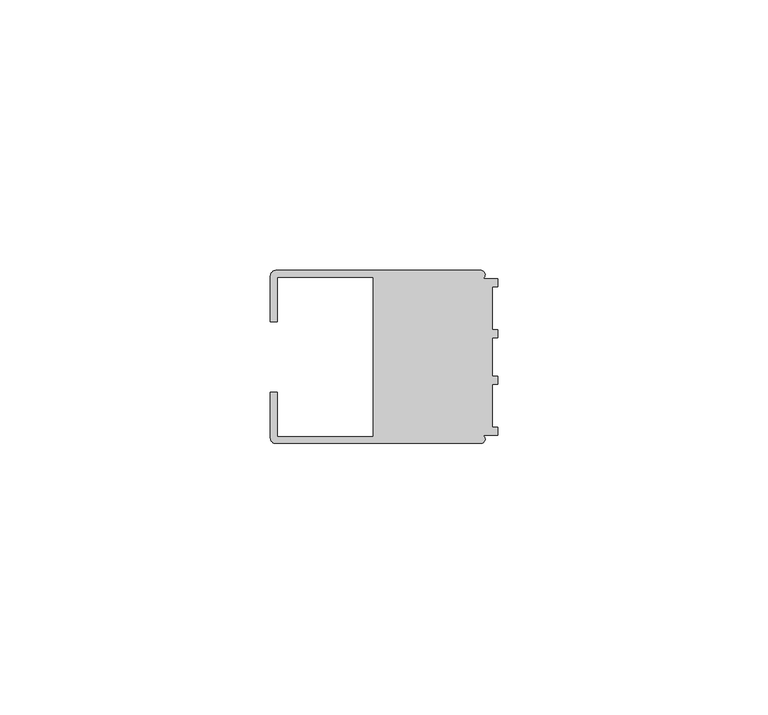
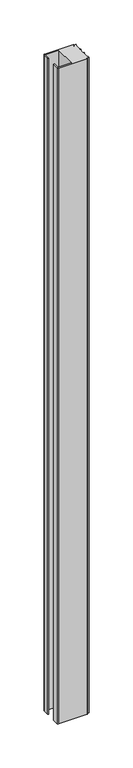
"""IFC4 building model written with IfcOpenShell, lengths in millimetres: member geometry."""

from ifc_helpers import new_model, si_unit, point, frame, frame_2d, origin, place, context, project, spatial, polyline, circle_curve, trimmed, segment, composite_curve, outline, extrude, source, transform, mapped, element, save


def member_bca3d594(model_context):
    return source(origin(), model_context, "Body", "SweptSolid", [
        extrude(outline(composite_curve([segment(polyline([(-42.0, 6.5), (-42.0, 14.998921)]), True, "CONTINUOUS"), segment(trimmed(circle_curve(frame_2d((-40.998921, 14.998921)), 1.001079), [point((-42.0, 14.998921))], [point((-40.998921, 16.0))], False, "CARTESIAN"), True, "CONTINUOUS"), segment(polyline([(-40.998921, 16.0), (-3.1385263, 16.0)]), True, "CONTINUOUS"), segment(trimmed(circle_curve(frame_2d((-3.1117577, 15.2001372)), 0.8003107), [point((-3.1385263, 16.0))], [point((-2.7260256, 14.4989182))], False, "CARTESIAN"), True, "CONTINUOUS"), segment(polyline([(-2.7260256, 14.4989182), (0.0, 14.4989182), (0.0, 12.9993664), (-0.999267, 12.9993664), (-0.999267, 5.0000405), (0.0, 5.0000405), (0.0, 3.5386284), (-0.999267, 3.5009282), (-0.999267, -3.5009282), (0.0, -3.5398992), (0.0, -5.0013113), (-0.999267, -5.0013113), (-0.999267, -13.0002136), (0.0, -13.0002136), (0.0, -14.5004469), (-2.7237818, -14.5004469)]), True, "CONTINUOUS"), segment(trimmed(circle_curve(frame_2d((-3.1117213, -15.2000428)), 0.7999572), [point((-2.7237818, -14.5004469))], [point((-3.1117213, -16.0))], False, "CARTESIAN"), True, "CONTINUOUS"), segment(polyline([(-3.1117213, -16.0), (-40.9988146, -16.0)]), True, "CONTINUOUS"), segment(trimmed(circle_curve(frame_2d((-40.9988146, -14.9988146)), 1.0011854), [point((-40.9988146, -16.0))], [point((-42.0, -14.9988146))], False, "CARTESIAN"), True, "CONTINUOUS"), segment(polyline([(-42.0, -14.9988146), (-42.0, -6.5002542), (-40.7495396, -6.5002542), (-40.7495396, -14.7490791), (-23.0, -14.7490791), (-23.0, 14.748825), (-40.7495396, 14.748825), (-40.7495396, 6.5), (-42.0, 6.5)]), True, "CONTINUOUS")], self_intersect=False)), frame((0.0, 0.0, -914.0), z_axis=(0.0, 0.0, 1.0), x_axis=(1.0, 0.0, 0.0)), (0.0, 0.0, 1.0), 914.0),
    ])


if __name__ == "__main__":
    model = new_model("IFC4")
    model_context = context("Model", 3, world=origin())
    ifc_project = project(units=[si_unit("LENGTHUNIT", "METRE", prefix="MILLI")], contexts=[model_context])
    site = spatial("IfcSite", under=ifc_project)
    building = spatial("IfcBuilding", under=site)
    placement = place(None, origin())
    member_shape = member_bca3d594(model_context)
    element("IfcMember", 1, at=placement, inside=building, context=model_context, shape_type="MappedRepresentation", body=[
        mapped(member_shape, transform((0.0, 0.0, 0.0), x_axis=(1.0, 0.0, 0.0), y_axis=(0.0, 1.0, 0.0), z_axis=(0.0, 0.0, 1.0))),
    ])
    save(model, "model.ifc")
